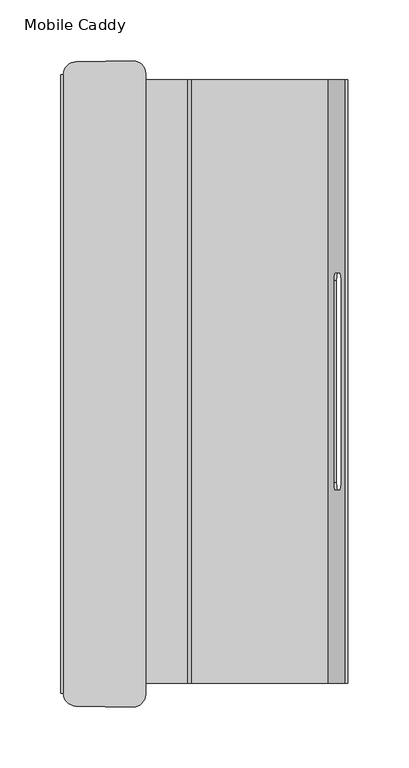
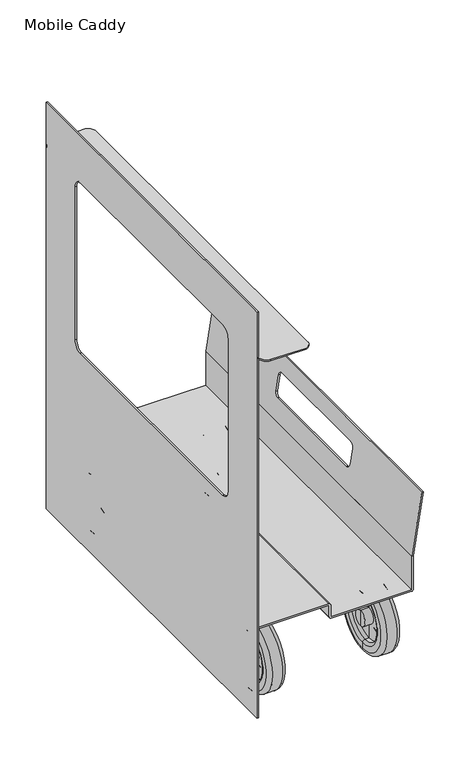
"""IFC4 building model written with IfcOpenShell, lengths in millimetres: furniture geometry, Mobile Caddy."""

from ifc_helpers import new_model, si_unit, point, frame, frame_2d, origin, place, context, project, spatial, polyline, circle_curve, ellipse_curve, trimmed, segment, composite_curve, outline, extrude, source, transform, mapped, element, save
from ifc_brep_helpers import plane_surface, cylinder_surface, revolved_surface, advanced_brep


def mobile_caddy_558cfe28(model_context):
    return source(origin(), model_context, "Body", "SolidModel", [
        extrude(outline(composite_curve([segment(trimmed(circle_curve(frame_2d((-49.4822692, 254.4628456)), 10.9047009), [point((-47.3896038, 265.1648666))], [point((-38.5775683, 254.4628456))], False, "CARTESIAN"), True, "CONTINUOUS"), segment(polyline([(-38.5775683, 254.4628456), (-38.5775683, -255.5043533)]), True, "CONTINUOUS"), segment(trimmed(circle_curve(frame_2d((-49.4796458, -255.5043533)), 10.9020775), [point((-38.5775683, -255.5043533))], [point((-47.3896038, -266.204214))], False, "CARTESIAN"), True, "CONTINUOUS"), segment(polyline([(-47.3896038, -266.204214), (-96.0823568, -265.3542788)]), True, "CONTINUOUS"), segment(trimmed(circle_curve(frame_2d((-95.6818, -254.7018071)), 10.66), [point((-96.0823568, -265.3542788))], [point((-106.33964, -254.9163917))], False, "CARTESIAN"), True, "CONTINUOUS"), segment(polyline([(-106.33964, -254.9163917), (-106.33964, 253.8770443)]), True, "CONTINUOUS"), segment(trimmed(circle_curve(frame_2d((-95.6818, 253.6624597)), 10.66), [point((-106.33964, 253.8770443))], [point((-95.6532531, 264.3224215))], False, "CARTESIAN"), True, "CONTINUOUS"), segment(polyline([(-95.6532531, 264.3224215), (-47.3896038, 265.1648666)]), True, "CONTINUOUS")], self_intersect=False)), frame((0.0, 0.0, 532.9344554), z_axis=(0.0, 0.0, 1.0), x_axis=(1.0, 0.0, 0.0)), (0.0, 0.0, 1.0), 2.04216),
        advanced_brep(
        [(72.2762817, -191.0196737, 50.8), (72.2762817, -191.0196737, 61.9506), (72.2762817, -191.0196737, 39.6494), (102.1973875, -191.0196737, 39.6494), (102.1973875, -191.0196737, 61.9506), (102.1973875, -191.0196737, 50.8), (90.2847875, -191.0196737, 39.6494), (90.2847875, -191.0196737, 61.9506), (90.2847875, -191.0196737, 17.4244), (90.2847875, -191.0196737, 84.1756), (96.2335875, -191.0196737, 17.4244), (96.2335875, -191.0196737, 84.1756), (99.7335875, -191.0196737, 13.9244), (99.7335875, -191.0196737, 87.6756), (99.7335875, -191.0196737, 5.537697), (99.7335875, -191.0196737, 96.062303), (94.2335875, -191.0196737, 0.037697), (94.2335875, -191.0196737, 101.562303), (80.2400817, -191.0196737, 0.037697), (80.2400817, -191.0196737, 101.562303), (74.7400817, -191.0196737, 5.537697), (74.7400817, -191.0196737, 96.062303), (74.7400817, -191.0196737, 13.9244), (74.7400817, -191.0196737, 87.6756), (78.2400817, -191.0196737, 17.4244), (78.2400817, -191.0196737, 84.1756), (84.1888817, -191.0196737, 17.4244), (84.1888817, -191.0196737, 84.1756), (84.1888817, -191.0196737, 39.6494), (84.1888817, -191.0196737, 61.9506)],
        [
            (0, 1),
            (1, 2, circle_curve(frame((72.2762817, -191.0196737, 50.8), z_axis=(-1.0, 0.0, 0.0), x_axis=(0.0, 0.0, 1.0)), 11.1506)),
            (2, 0),
            (2, 1, circle_curve(frame((72.2762817, -191.0196737, 50.8), z_axis=(-1.0, 0.0, 0.0), x_axis=(0.0, 0.0, 1.0)), 11.1506)),
            (3, 4, circle_curve(frame((102.1973875, -191.0196737, 50.8), z_axis=(1.0, 0.0, 0.0), x_axis=(0.0, 0.0, 1.0)), 11.1506)),
            (4, 5),
            (5, 3),
            (4, 3, circle_curve(frame((102.1973875, -191.0196737, 50.8), z_axis=(1.0, 0.0, 0.0), x_axis=(0.0, 0.0, 1.0)), 11.1506)),
            (6, 7, circle_curve(frame((90.2847875, -191.0196737, 50.8), z_axis=(1.0, 0.0, 0.0), x_axis=(0.0, 0.0, 1.0)), 11.1506)),
            (7, 4),
            (3, 6),
            (7, 6, circle_curve(frame((90.2847875, -191.0196737, 50.8), z_axis=(1.0, 0.0, 0.0), x_axis=(0.0, 0.0, 1.0)), 11.1506)),
            (8, 9, circle_curve(frame((90.2847875, -191.0196737, 50.8), z_axis=(1.0, 0.0, 0.0), x_axis=(0.0, 0.0, 1.0)), 33.3756)),
            (9, 7),
            (6, 8),
            (9, 8, circle_curve(frame((90.2847875, -191.0196737, 50.8), z_axis=(1.0, 0.0, 0.0), x_axis=(0.0, 0.0, 1.0)), 33.3756)),
            (10, 11, circle_curve(frame((96.2335875, -191.0196737, 50.8), z_axis=(1.0, 0.0, 0.0), x_axis=(0.0, 0.0, 1.0)), 33.3756)),
            (11, 9),
            (8, 10),
            (11, 10, circle_curve(frame((96.2335875, -191.0196737, 50.8), z_axis=(1.0, 0.0, 0.0), x_axis=(0.0, 0.0, 1.0)), 33.3756)),
            (12, 13, circle_curve(frame((99.7335875, -191.0196737, 50.8), z_axis=(1.0, 0.0, 0.0), x_axis=(0.0, 0.0, 1.0)), 36.8756)),
            (13, 11, circle_curve(frame((96.2335875, -191.0196737, 87.6756), z_axis=(0.0, 1.0, 0.0), x_axis=(-1.0, 0.0, 0.0)), 3.5)),
            (10, 12, circle_curve(frame((96.2335875, -191.0196737, 13.9244), z_axis=(0.0, 1.0, 0.0), x_axis=(-1.0, 0.0, 0.0)), 3.5)),
            (13, 12, circle_curve(frame((99.7335875, -191.0196737, 50.8), z_axis=(1.0, 0.0, 0.0), x_axis=(0.0, 0.0, 1.0)), 36.8756)),
            (14, 15, circle_curve(frame((99.7335875, -191.0196737, 50.8), z_axis=(1.0, 0.0, 0.0), x_axis=(0.0, 0.0, 1.0)), 45.262303)),
            (15, 13),
            (12, 14),
            (15, 14, circle_curve(frame((99.7335875, -191.0196737, 50.8), z_axis=(1.0, 0.0, 0.0), x_axis=(0.0, 0.0, 1.0)), 45.262303)),
            (16, 17, circle_curve(frame((94.2335875, -191.0196737, 50.8), z_axis=(1.0, 0.0, 0.0), x_axis=(0.0, 0.0, 1.0)), 50.762303)),
            (17, 15, circle_curve(frame((94.2335875, -191.0196737, 96.062303), z_axis=(0.0, 1.0, 0.0), x_axis=(1.0, 0.0, 0.0)), 5.5)),
            (14, 16, circle_curve(frame((94.2335875, -191.0196737, 5.537697), z_axis=(0.0, 1.0, 0.0), x_axis=(1.0, 0.0, 0.0)), 5.5)),
            (17, 16, circle_curve(frame((94.2335875, -191.0196737, 50.8), z_axis=(1.0, 0.0, 0.0), x_axis=(0.0, 0.0, 1.0)), 50.762303)),
            (18, 19, circle_curve(frame((80.2400817, -191.0196737, 50.8), z_axis=(1.0, 0.0, 0.0), x_axis=(0.0, 0.0, 1.0)), 50.762303)),
            (19, 17),
            (16, 18),
            (19, 18, circle_curve(frame((80.2400817, -191.0196737, 50.8), z_axis=(1.0, 0.0, 0.0), x_axis=(0.0, 0.0, 1.0)), 50.762303)),
            (20, 21, circle_curve(frame((74.7400817, -191.0196737, 50.8), z_axis=(1.0, 0.0, 0.0), x_axis=(0.0, 0.0, 1.0)), 45.262303)),
            (21, 19, circle_curve(frame((80.2400817, -191.0196737, 96.062303), z_axis=(0.0, 1.0, 0.0), x_axis=(-1.0, 0.0, 0.0)), 5.5)),
            (18, 20, circle_curve(frame((80.2400817, -191.0196737, 5.537697), z_axis=(0.0, 1.0, 0.0), x_axis=(-1.0, 0.0, 0.0)), 5.5)),
            (21, 20, circle_curve(frame((74.7400817, -191.0196737, 50.8), z_axis=(1.0, 0.0, 0.0), x_axis=(0.0, 0.0, 1.0)), 45.262303)),
            (22, 23, circle_curve(frame((74.7400817, -191.0196737, 50.8), z_axis=(1.0, 0.0, 0.0), x_axis=(0.0, 0.0, 1.0)), 36.8756)),
            (23, 21),
            (20, 22),
            (23, 22, circle_curve(frame((74.7400817, -191.0196737, 50.8), z_axis=(1.0, 0.0, 0.0), x_axis=(0.0, 0.0, 1.0)), 36.8756)),
            (24, 25, circle_curve(frame((78.2400817, -191.0196737, 50.8), z_axis=(1.0, 0.0, 0.0), x_axis=(0.0, 0.0, 1.0)), 33.3756)),
            (25, 23, circle_curve(frame((78.2400817, -191.0196737, 87.6756), z_axis=(0.0, 1.0, 0.0), x_axis=(1.0, 0.0, 0.0)), 3.5)),
            (22, 24, circle_curve(frame((78.2400817, -191.0196737, 13.9244), z_axis=(0.0, 1.0, 0.0), x_axis=(1.0, 0.0, 0.0)), 3.5)),
            (25, 24, circle_curve(frame((78.2400817, -191.0196737, 50.8), z_axis=(1.0, 0.0, 0.0), x_axis=(0.0, 0.0, 1.0)), 33.3756)),
            (26, 27, circle_curve(frame((84.1888817, -191.0196737, 50.8), z_axis=(1.0, 0.0, 0.0), x_axis=(0.0, 0.0, 1.0)), 33.3756)),
            (27, 25),
            (24, 26),
            (27, 26, circle_curve(frame((84.1888817, -191.0196737, 50.8), z_axis=(1.0, 0.0, 0.0), x_axis=(0.0, 0.0, 1.0)), 33.3756)),
            (28, 29, circle_curve(frame((84.1888817, -191.0196737, 50.8), z_axis=(1.0, 0.0, 0.0), x_axis=(0.0, 0.0, 1.0)), 11.1506)),
            (29, 27),
            (26, 28),
            (29, 28, circle_curve(frame((84.1888817, -191.0196737, 50.8), z_axis=(1.0, 0.0, 0.0), x_axis=(0.0, 0.0, 1.0)), 11.1506)),
            (1, 29),
            (28, 2),
        ],
        [
            plane_surface(frame((72.2762817, -191.0196737, 50.8), z_axis=(-1.0, 0.0, 0.0), x_axis=(0.0, 0.0, 1.0))),
            plane_surface(frame((102.1973875, -191.0196737, 50.8), z_axis=(1.0, 0.0, 0.0), x_axis=(0.0, 0.0, 1.0))),
            cylinder_surface(frame((72.2762817, -191.0196737, 50.8), z_axis=(-1.0, 0.0, 0.0), x_axis=(0.0, 0.0, 1.0)), 11.1506),
            plane_surface(frame((90.2847875, -191.0196737, 50.8), z_axis=(1.0, 0.0, 0.0), x_axis=(0.0, 0.0, 1.0))),
            revolved_surface(polyline([(90.2847875, -191.0196737, 84.1756), (96.2335875, -191.0196737, 84.1756)]), (72.2762817, -191.0196737, 50.8), (-1.0, 0.0, 0.0)),
            revolved_surface(trimmed(ellipse_curve(frame((96.2335875, -191.0196737, 87.6756), z_axis=(0.0, -1.0, 0.0), x_axis=(-1.0, 0.0, 0.0)), 3.5, 3.5), [point((96.2335875, -191.0196737, 84.1756))], [point((99.7335875, -191.0196737, 87.6756))], True, "CARTESIAN"), (72.2762817, -191.0196737, 50.8), (-1.0, 0.0, 0.0)),
            plane_surface(frame((99.7335875, -191.0196737, 50.8), z_axis=(1.0, 0.0, 0.0), x_axis=(0.0, 0.0, 1.0))),
            revolved_surface(trimmed(ellipse_curve(frame((94.2335875, -191.0196737, 96.062303), z_axis=(0.0, -1.0, 0.0), x_axis=(1.0, 0.0, 0.0)), 5.5, 5.5), [point((99.7335875, -191.0196737, 96.062303))], [point((94.2335875, -191.0196737, 101.562303))], True, "CARTESIAN"), (72.2762817, -191.0196737, 50.8), (-1.0, 0.0, 0.0)),
            cylinder_surface(frame((72.2762817, -191.0196737, 50.8), z_axis=(-1.0, 0.0, 0.0), x_axis=(0.0, 0.0, 1.0)), 50.762303),
            revolved_surface(trimmed(ellipse_curve(frame((80.2400817, -191.0196737, 96.062303), z_axis=(0.0, -1.0, 0.0), x_axis=(-1.0, 0.0, 0.0)), 5.5, 5.5), [point((80.2400817, -191.0196737, 101.562303))], [point((74.7400817, -191.0196737, 96.062303))], True, "CARTESIAN"), (72.2762817, -191.0196737, 50.8), (-1.0, 0.0, 0.0)),
            plane_surface(frame((74.7400817, -191.0196737, 50.8), z_axis=(-1.0, 0.0, 0.0), x_axis=(0.0, 0.0, 1.0))),
            revolved_surface(trimmed(ellipse_curve(frame((78.2400817, -191.0196737, 87.6756), z_axis=(0.0, -1.0, 0.0), x_axis=(1.0, 0.0, 0.0)), 3.5, 3.5), [point((74.7400817, -191.0196737, 87.6756))], [point((78.2400817, -191.0196737, 84.1756))], True, "CARTESIAN"), (72.2762817, -191.0196737, 50.8), (-1.0, 0.0, 0.0)),
            revolved_surface(polyline([(78.2400817, -191.0196737, 84.1756), (84.1888817, -191.0196737, 84.1756)]), (72.2762817, -191.0196737, 50.8), (-1.0, 0.0, 0.0)),
            plane_surface(frame((84.1888817, -191.0196737, 50.8), z_axis=(-1.0, 0.0, 0.0), x_axis=(0.0, 0.0, 1.0))),
        ],
        [
            (0, [[1, 2, 3]]),
            (0, [[-3, 4, -1]]),
            (1, [[5, 6, 7]]),
            (1, [[8, -7, -6]]),
            (2, [[9, 10, -5, 11]]),
            (2, [[12, -11, -8, -10]]),
            (3, [[13, 14, -9, 15]]),
            (3, [[16, -15, -12, -14]]),
            (4, [[17, 18, -13, 19]]),
            (4, [[20, -19, -16, -18]]),
            (5, [[21, 22, -17, 23]]),
            (5, [[24, -23, -20, -22]]),
            (6, [[25, 26, -21, 27]]),
            (6, [[28, -27, -24, -26]]),
            (7, [[29, 30, -25, 31]]),
            (7, [[32, -31, -28, -30]]),
            (8, [[33, 34, -29, 35]]),
            (8, [[36, -35, -32, -34]]),
            (9, [[37, 38, -33, 39]]),
            (9, [[40, -39, -36, -38]]),
            (10, [[41, 42, -37, 43]]),
            (10, [[44, -43, -40, -42]]),
            (11, [[45, 46, -41, 47]]),
            (11, [[48, -47, -44, -46]]),
            (12, [[49, 50, -45, 51]]),
            (12, [[52, -51, -48, -50]]),
            (13, [[53, 54, -49, 55]]),
            (13, [[56, -55, -52, -54]]),
            (2, [[-2, 57, -53, 58]]),
            (2, [[-4, -58, -56, -57]]),
        ],
    ),
        advanced_brep(
        [(-87.0736799, -191.0196737, 50.8), (-87.0736799, -191.0196737, 61.9506), (-87.0736799, -191.0196737, 39.6494), (-57.1525741, -191.0196737, 39.6494), (-57.1525741, -191.0196737, 61.9506), (-57.1525741, -191.0196737, 50.8), (-69.0651741, -191.0196737, 39.6494), (-69.0651741, -191.0196737, 61.9506), (-69.0651741, -191.0196737, 17.4244), (-69.0651741, -191.0196737, 84.1756), (-63.1163741, -191.0196737, 17.4244), (-63.1163741, -191.0196737, 84.1756), (-59.6163741, -191.0196737, 13.9244), (-59.6163741, -191.0196737, 87.6756), (-59.6163741, -191.0196737, 5.537697), (-59.6163741, -191.0196737, 96.062303), (-65.1163741, -191.0196737, 0.037697), (-65.1163741, -191.0196737, 101.562303), (-79.1098799, -191.0196737, 0.037697), (-79.1098799, -191.0196737, 101.562303), (-84.6098799, -191.0196737, 5.537697), (-84.6098799, -191.0196737, 96.062303), (-84.6098799, -191.0196737, 13.9244), (-84.6098799, -191.0196737, 87.6756), (-81.1098799, -191.0196737, 17.4244), (-81.1098799, -191.0196737, 84.1756), (-75.1610799, -191.0196737, 17.4244), (-75.1610799, -191.0196737, 84.1756), (-75.1610799, -191.0196737, 39.6494), (-75.1610799, -191.0196737, 61.9506)],
        [
            (0, 1),
            (1, 2, circle_curve(frame((-87.0736799, -191.0196737, 50.8), z_axis=(-1.0, 0.0, 0.0), x_axis=(0.0, 0.0, 1.0)), 11.1506)),
            (2, 0),
            (2, 1, circle_curve(frame((-87.0736799, -191.0196737, 50.8), z_axis=(-1.0, 0.0, 0.0), x_axis=(0.0, 0.0, 1.0)), 11.1506)),
            (3, 4, circle_curve(frame((-57.1525741, -191.0196737, 50.8), z_axis=(1.0, 0.0, 0.0), x_axis=(0.0, 0.0, 1.0)), 11.1506)),
            (4, 5),
            (5, 3),
            (4, 3, circle_curve(frame((-57.1525741, -191.0196737, 50.8), z_axis=(1.0, 0.0, 0.0), x_axis=(0.0, 0.0, 1.0)), 11.1506)),
            (6, 7, circle_curve(frame((-69.0651741, -191.0196737, 50.8), z_axis=(1.0, 0.0, 0.0), x_axis=(0.0, 0.0, 1.0)), 11.1506)),
            (7, 4),
            (3, 6),
            (7, 6, circle_curve(frame((-69.0651741, -191.0196737, 50.8), z_axis=(1.0, 0.0, 0.0), x_axis=(0.0, 0.0, 1.0)), 11.1506)),
            (8, 9, circle_curve(frame((-69.0651741, -191.0196737, 50.8), z_axis=(1.0, 0.0, 0.0), x_axis=(0.0, 0.0, 1.0)), 33.3756)),
            (9, 7),
            (6, 8),
            (9, 8, circle_curve(frame((-69.0651741, -191.0196737, 50.8), z_axis=(1.0, 0.0, 0.0), x_axis=(0.0, 0.0, 1.0)), 33.3756)),
            (10, 11, circle_curve(frame((-63.1163741, -191.0196737, 50.8), z_axis=(1.0, 0.0, 0.0), x_axis=(0.0, 0.0, 1.0)), 33.3756)),
            (11, 9),
            (8, 10),
            (11, 10, circle_curve(frame((-63.1163741, -191.0196737, 50.8), z_axis=(1.0, 0.0, 0.0), x_axis=(0.0, 0.0, 1.0)), 33.3756)),
            (12, 13, circle_curve(frame((-59.6163741, -191.0196737, 50.8), z_axis=(1.0, 0.0, 0.0), x_axis=(0.0, 0.0, 1.0)), 36.8756)),
            (13, 11, circle_curve(frame((-63.1163741, -191.0196737, 87.6756), z_axis=(0.0, 1.0, 0.0), x_axis=(-1.0, 0.0, 0.0)), 3.5)),
            (10, 12, circle_curve(frame((-63.1163741, -191.0196737, 13.9244), z_axis=(0.0, 1.0, 0.0), x_axis=(-1.0, 0.0, 0.0)), 3.5)),
            (13, 12, circle_curve(frame((-59.6163741, -191.0196737, 50.8), z_axis=(1.0, 0.0, 0.0), x_axis=(0.0, 0.0, 1.0)), 36.8756)),
            (14, 15, circle_curve(frame((-59.6163741, -191.0196737, 50.8), z_axis=(1.0, 0.0, 0.0), x_axis=(0.0, 0.0, 1.0)), 45.262303)),
            (15, 13),
            (12, 14),
            (15, 14, circle_curve(frame((-59.6163741, -191.0196737, 50.8), z_axis=(1.0, 0.0, 0.0), x_axis=(0.0, 0.0, 1.0)), 45.262303)),
            (16, 17, circle_curve(frame((-65.1163741, -191.0196737, 50.8), z_axis=(1.0, 0.0, 0.0), x_axis=(0.0, 0.0, 1.0)), 50.762303)),
            (17, 15, circle_curve(frame((-65.1163741, -191.0196737, 96.062303), z_axis=(0.0, 1.0, 0.0), x_axis=(1.0, 0.0, 0.0)), 5.5)),
            (14, 16, circle_curve(frame((-65.1163741, -191.0196737, 5.537697), z_axis=(0.0, 1.0, 0.0), x_axis=(1.0, 0.0, 0.0)), 5.5)),
            (17, 16, circle_curve(frame((-65.1163741, -191.0196737, 50.8), z_axis=(1.0, 0.0, 0.0), x_axis=(0.0, 0.0, 1.0)), 50.762303)),
            (18, 19, circle_curve(frame((-79.1098799, -191.0196737, 50.8), z_axis=(1.0, 0.0, 0.0), x_axis=(0.0, 0.0, 1.0)), 50.762303)),
            (19, 17),
            (16, 18),
            (19, 18, circle_curve(frame((-79.1098799, -191.0196737, 50.8), z_axis=(1.0, 0.0, 0.0), x_axis=(0.0, 0.0, 1.0)), 50.762303)),
            (20, 21, circle_curve(frame((-84.6098799, -191.0196737, 50.8), z_axis=(1.0, 0.0, 0.0), x_axis=(0.0, 0.0, 1.0)), 45.262303)),
            (21, 19, circle_curve(frame((-79.1098799, -191.0196737, 96.062303), z_axis=(0.0, 1.0, 0.0), x_axis=(-1.0, 0.0, 0.0)), 5.5)),
            (18, 20, circle_curve(frame((-79.1098799, -191.0196737, 5.537697), z_axis=(0.0, 1.0, 0.0), x_axis=(-1.0, 0.0, 0.0)), 5.5)),
            (21, 20, circle_curve(frame((-84.6098799, -191.0196737, 50.8), z_axis=(1.0, 0.0, 0.0), x_axis=(0.0, 0.0, 1.0)), 45.262303)),
            (22, 23, circle_curve(frame((-84.6098799, -191.0196737, 50.8), z_axis=(1.0, 0.0, 0.0), x_axis=(0.0, 0.0, 1.0)), 36.8756)),
            (23, 21),
            (20, 22),
            (23, 22, circle_curve(frame((-84.6098799, -191.0196737, 50.8), z_axis=(1.0, 0.0, 0.0), x_axis=(0.0, 0.0, 1.0)), 36.8756)),
            (24, 25, circle_curve(frame((-81.1098799, -191.0196737, 50.8), z_axis=(1.0, 0.0, 0.0), x_axis=(0.0, 0.0, 1.0)), 33.3756)),
            (25, 23, circle_curve(frame((-81.1098799, -191.0196737, 87.6756), z_axis=(0.0, 1.0, 0.0), x_axis=(1.0, 0.0, 0.0)), 3.5)),
            (22, 24, circle_curve(frame((-81.1098799, -191.0196737, 13.9244), z_axis=(0.0, 1.0, 0.0), x_axis=(1.0, 0.0, 0.0)), 3.5)),
            (25, 24, circle_curve(frame((-81.1098799, -191.0196737, 50.8), z_axis=(1.0, 0.0, 0.0), x_axis=(0.0, 0.0, 1.0)), 33.3756)),
            (26, 27, circle_curve(frame((-75.1610799, -191.0196737, 50.8), z_axis=(1.0, 0.0, 0.0), x_axis=(0.0, 0.0, 1.0)), 33.3756)),
            (27, 25),
            (24, 26),
            (27, 26, circle_curve(frame((-75.1610799, -191.0196737, 50.8), z_axis=(1.0, 0.0, 0.0), x_axis=(0.0, 0.0, 1.0)), 33.3756)),
            (28, 29, circle_curve(frame((-75.1610799, -191.0196737, 50.8), z_axis=(1.0, 0.0, 0.0), x_axis=(0.0, 0.0, 1.0)), 11.1506)),
            (29, 27),
            (26, 28),
            (29, 28, circle_curve(frame((-75.1610799, -191.0196737, 50.8), z_axis=(1.0, 0.0, 0.0), x_axis=(0.0, 0.0, 1.0)), 11.1506)),
            (1, 29),
            (28, 2),
        ],
        [
            plane_surface(frame((-87.0736799, -191.0196737, 50.8), z_axis=(-1.0, 0.0, 0.0), x_axis=(0.0, 0.0, 1.0))),
            plane_surface(frame((-57.1525741, -191.0196737, 50.8), z_axis=(1.0, 0.0, 0.0), x_axis=(0.0, 0.0, 1.0))),
            cylinder_surface(frame((-87.0736799, -191.0196737, 50.8), z_axis=(-1.0, 0.0, 0.0), x_axis=(0.0, 0.0, 1.0)), 11.1506),
            plane_surface(frame((-69.0651741, -191.0196737, 50.8), z_axis=(1.0, 0.0, 0.0), x_axis=(0.0, 0.0, 1.0))),
            revolved_surface(polyline([(-69.0651741, -191.0196737, 84.1756), (-63.1163741, -191.0196737, 84.1756)]), (-87.0736799, -191.0196737, 50.8), (-1.0, 0.0, 0.0)),
            revolved_surface(trimmed(ellipse_curve(frame((-63.1163741, -191.0196737, 87.6756), z_axis=(0.0, -1.0, 0.0), x_axis=(-1.0, 0.0, 0.0)), 3.5, 3.5), [point((-63.1163741, -191.0196737, 84.1756))], [point((-59.6163741, -191.0196737, 87.6756))], True, "CARTESIAN"), (-87.0736799, -191.0196737, 50.8), (-1.0, 0.0, 0.0)),
            plane_surface(frame((-59.6163741, -191.0196737, 50.8), z_axis=(1.0, 0.0, 0.0), x_axis=(0.0, 0.0, 1.0))),
            revolved_surface(trimmed(ellipse_curve(frame((-65.1163741, -191.0196737, 96.062303), z_axis=(0.0, -1.0, 0.0), x_axis=(1.0, 0.0, 0.0)), 5.5, 5.5), [point((-59.6163741, -191.0196737, 96.062303))], [point((-65.1163741, -191.0196737, 101.562303))], True, "CARTESIAN"), (-87.0736799, -191.0196737, 50.8), (-1.0, 0.0, 0.0)),
            cylinder_surface(frame((-87.0736799, -191.0196737, 50.8), z_axis=(-1.0, 0.0, 0.0), x_axis=(0.0, 0.0, 1.0)), 50.762303),
            revolved_surface(trimmed(ellipse_curve(frame((-79.1098799, -191.0196737, 96.062303), z_axis=(0.0, -1.0, 0.0), x_axis=(-1.0, 0.0, 0.0)), 5.5, 5.5), [point((-79.1098799, -191.0196737, 101.562303))], [point((-84.6098799, -191.0196737, 96.062303))], True, "CARTESIAN"), (-87.0736799, -191.0196737, 50.8), (-1.0, 0.0, 0.0)),
            plane_surface(frame((-84.6098799, -191.0196737, 50.8), z_axis=(-1.0, 0.0, 0.0), x_axis=(0.0, 0.0, 1.0))),
            revolved_surface(trimmed(ellipse_curve(frame((-81.1098799, -191.0196737, 87.6756), z_axis=(0.0, -1.0, 0.0), x_axis=(1.0, 0.0, 0.0)), 3.5, 3.5), [point((-84.6098799, -191.0196737, 87.6756))], [point((-81.1098799, -191.0196737, 84.1756))], True, "CARTESIAN"), (-87.0736799, -191.0196737, 50.8), (-1.0, 0.0, 0.0)),
            revolved_surface(polyline([(-81.1098799, -191.0196737, 84.1756), (-75.1610799, -191.0196737, 84.1756)]), (-87.0736799, -191.0196737, 50.8), (-1.0, 0.0, 0.0)),
            plane_surface(frame((-75.1610799, -191.0196737, 50.8), z_axis=(-1.0, 0.0, 0.0), x_axis=(0.0, 0.0, 1.0))),
        ],
        [
            (0, [[1, 2, 3]]),
            (0, [[-3, 4, -1]]),
            (1, [[5, 6, 7]]),
            (1, [[8, -7, -6]]),
            (2, [[9, 10, -5, 11]]),
            (2, [[12, -11, -8, -10]]),
            (3, [[13, 14, -9, 15]]),
            (3, [[16, -15, -12, -14]]),
            (4, [[17, 18, -13, 19]]),
            (4, [[20, -19, -16, -18]]),
            (5, [[21, 22, -17, 23]]),
            (5, [[24, -23, -20, -22]]),
            (6, [[25, 26, -21, 27]]),
            (6, [[28, -27, -24, -26]]),
            (7, [[29, 30, -25, 31]]),
            (7, [[32, -31, -28, -30]]),
            (8, [[33, 34, -29, 35]]),
            (8, [[36, -35, -32, -34]]),
            (9, [[37, 38, -33, 39]]),
            (9, [[40, -39, -36, -38]]),
            (10, [[41, 42, -37, 43]]),
            (10, [[44, -43, -40, -42]]),
            (11, [[45, 46, -41, 47]]),
            (11, [[48, -47, -44, -46]]),
            (12, [[49, 50, -45, 51]]),
            (12, [[52, -51, -48, -50]]),
            (13, [[53, 54, -49, 55]]),
            (13, [[56, -55, -52, -54]]),
            (2, [[-2, 57, -53, 58]]),
            (2, [[-4, -58, -56, -57]]),
        ],
    ),
        advanced_brep(
        [(-87.0736799, 189.9803263, 50.8), (-87.0736799, 189.9803263, 61.9506), (-87.0736799, 189.9803263, 39.6494), (-57.1525741, 189.9803263, 39.6494), (-57.1525741, 189.9803263, 61.9506), (-57.1525741, 189.9803263, 50.8), (-69.0651741, 189.9803263, 39.6494), (-69.0651741, 189.9803263, 61.9506), (-69.0651741, 189.9803263, 17.4244), (-69.0651741, 189.9803263, 84.1756), (-63.1163741, 189.9803263, 17.4244), (-63.1163741, 189.9803263, 84.1756), (-59.6163741, 189.9803263, 13.9244), (-59.6163741, 189.9803263, 87.6756), (-59.6163741, 189.9803263, 5.537697), (-59.6163741, 189.9803263, 96.062303), (-65.1163741, 189.9803263, 0.037697), (-65.1163741, 189.9803263, 101.562303), (-79.1098799, 189.9803263, 0.037697), (-79.1098799, 189.9803263, 101.562303), (-84.6098799, 189.9803263, 5.537697), (-84.6098799, 189.9803263, 96.062303), (-84.6098799, 189.9803263, 13.9244), (-84.6098799, 189.9803263, 87.6756), (-81.1098799, 189.9803263, 17.4244), (-81.1098799, 189.9803263, 84.1756), (-75.1610799, 189.9803263, 17.4244), (-75.1610799, 189.9803263, 84.1756), (-75.1610799, 189.9803263, 39.6494), (-75.1610799, 189.9803263, 61.9506)],
        [
            (0, 1),
            (1, 2, circle_curve(frame((-87.0736799, 189.9803263, 50.8), z_axis=(-1.0, 0.0, 0.0), x_axis=(0.0, 0.0, 1.0)), 11.1506)),
            (2, 0),
            (2, 1, circle_curve(frame((-87.0736799, 189.9803263, 50.8), z_axis=(-1.0, 0.0, 0.0), x_axis=(0.0, 0.0, 1.0)), 11.1506)),
            (3, 4, circle_curve(frame((-57.1525741, 189.9803263, 50.8), z_axis=(1.0, 0.0, 0.0), x_axis=(0.0, 0.0, 1.0)), 11.1506)),
            (4, 5),
            (5, 3),
            (4, 3, circle_curve(frame((-57.1525741, 189.9803263, 50.8), z_axis=(1.0, 0.0, 0.0), x_axis=(0.0, 0.0, 1.0)), 11.1506)),
            (6, 7, circle_curve(frame((-69.0651741, 189.9803263, 50.8), z_axis=(1.0, 0.0, 0.0), x_axis=(0.0, 0.0, 1.0)), 11.1506)),
            (7, 4),
            (3, 6),
            (7, 6, circle_curve(frame((-69.0651741, 189.9803263, 50.8), z_axis=(1.0, 0.0, 0.0), x_axis=(0.0, 0.0, 1.0)), 11.1506)),
            (8, 9, circle_curve(frame((-69.0651741, 189.9803263, 50.8), z_axis=(1.0, 0.0, 0.0), x_axis=(0.0, 0.0, 1.0)), 33.3756)),
            (9, 7),
            (6, 8),
            (9, 8, circle_curve(frame((-69.0651741, 189.9803263, 50.8), z_axis=(1.0, 0.0, 0.0), x_axis=(0.0, 0.0, 1.0)), 33.3756)),
            (10, 11, circle_curve(frame((-63.1163741, 189.9803263, 50.8), z_axis=(1.0, 0.0, 0.0), x_axis=(0.0, 0.0, 1.0)), 33.3756)),
            (11, 9),
            (8, 10),
            (11, 10, circle_curve(frame((-63.1163741, 189.9803263, 50.8), z_axis=(1.0, 0.0, 0.0), x_axis=(0.0, 0.0, 1.0)), 33.3756)),
            (12, 13, circle_curve(frame((-59.6163741, 189.9803263, 50.8), z_axis=(1.0, 0.0, 0.0), x_axis=(0.0, 0.0, 1.0)), 36.8756)),
            (13, 11, circle_curve(frame((-63.1163741, 189.9803263, 87.6756), z_axis=(0.0, 1.0, 0.0), x_axis=(-1.0, 0.0, 0.0)), 3.5)),
            (10, 12, circle_curve(frame((-63.1163741, 189.9803263, 13.9244), z_axis=(0.0, 1.0, 0.0), x_axis=(-1.0, 0.0, 0.0)), 3.5)),
            (13, 12, circle_curve(frame((-59.6163741, 189.9803263, 50.8), z_axis=(1.0, 0.0, 0.0), x_axis=(0.0, 0.0, 1.0)), 36.8756)),
            (14, 15, circle_curve(frame((-59.6163741, 189.9803263, 50.8), z_axis=(1.0, 0.0, 0.0), x_axis=(0.0, 0.0, 1.0)), 45.262303)),
            (15, 13),
            (12, 14),
            (15, 14, circle_curve(frame((-59.6163741, 189.9803263, 50.8), z_axis=(1.0, 0.0, 0.0), x_axis=(0.0, 0.0, 1.0)), 45.262303)),
            (16, 17, circle_curve(frame((-65.1163741, 189.9803263, 50.8), z_axis=(1.0, 0.0, 0.0), x_axis=(0.0, 0.0, 1.0)), 50.762303)),
            (17, 15, circle_curve(frame((-65.1163741, 189.9803263, 96.062303), z_axis=(0.0, 1.0, 0.0), x_axis=(1.0, 0.0, 0.0)), 5.5)),
            (14, 16, circle_curve(frame((-65.1163741, 189.9803263, 5.537697), z_axis=(0.0, 1.0, 0.0), x_axis=(1.0, 0.0, 0.0)), 5.5)),
            (17, 16, circle_curve(frame((-65.1163741, 189.9803263, 50.8), z_axis=(1.0, 0.0, 0.0), x_axis=(0.0, 0.0, 1.0)), 50.762303)),
            (18, 19, circle_curve(frame((-79.1098799, 189.9803263, 50.8), z_axis=(1.0, 0.0, 0.0), x_axis=(0.0, 0.0, 1.0)), 50.762303)),
            (19, 17),
            (16, 18),
            (19, 18, circle_curve(frame((-79.1098799, 189.9803263, 50.8), z_axis=(1.0, 0.0, 0.0), x_axis=(0.0, 0.0, 1.0)), 50.762303)),
            (20, 21, circle_curve(frame((-84.6098799, 189.9803263, 50.8), z_axis=(1.0, 0.0, 0.0), x_axis=(0.0, 0.0, 1.0)), 45.262303)),
            (21, 19, circle_curve(frame((-79.1098799, 189.9803263, 96.062303), z_axis=(0.0, 1.0, 0.0), x_axis=(-1.0, 0.0, 0.0)), 5.5)),
            (18, 20, circle_curve(frame((-79.1098799, 189.9803263, 5.537697), z_axis=(0.0, 1.0, 0.0), x_axis=(-1.0, 0.0, 0.0)), 5.5)),
            (21, 20, circle_curve(frame((-84.6098799, 189.9803263, 50.8), z_axis=(1.0, 0.0, 0.0), x_axis=(0.0, 0.0, 1.0)), 45.262303)),
            (22, 23, circle_curve(frame((-84.6098799, 189.9803263, 50.8), z_axis=(1.0, 0.0, 0.0), x_axis=(0.0, 0.0, 1.0)), 36.8756)),
            (23, 21),
            (20, 22),
            (23, 22, circle_curve(frame((-84.6098799, 189.9803263, 50.8), z_axis=(1.0, 0.0, 0.0), x_axis=(0.0, 0.0, 1.0)), 36.8756)),
            (24, 25, circle_curve(frame((-81.1098799, 189.9803263, 50.8), z_axis=(1.0, 0.0, 0.0), x_axis=(0.0, 0.0, 1.0)), 33.3756)),
            (25, 23, circle_curve(frame((-81.1098799, 189.9803263, 87.6756), z_axis=(0.0, 1.0, 0.0), x_axis=(1.0, 0.0, 0.0)), 3.5)),
            (22, 24, circle_curve(frame((-81.1098799, 189.9803263, 13.9244), z_axis=(0.0, 1.0, 0.0), x_axis=(1.0, 0.0, 0.0)), 3.5)),
            (25, 24, circle_curve(frame((-81.1098799, 189.9803263, 50.8), z_axis=(1.0, 0.0, 0.0), x_axis=(0.0, 0.0, 1.0)), 33.3756)),
            (26, 27, circle_curve(frame((-75.1610799, 189.9803263, 50.8), z_axis=(1.0, 0.0, 0.0), x_axis=(0.0, 0.0, 1.0)), 33.3756)),
            (27, 25),
            (24, 26),
            (27, 26, circle_curve(frame((-75.1610799, 189.9803263, 50.8), z_axis=(1.0, 0.0, 0.0), x_axis=(0.0, 0.0, 1.0)), 33.3756)),
            (28, 29, circle_curve(frame((-75.1610799, 189.9803263, 50.8), z_axis=(1.0, 0.0, 0.0), x_axis=(0.0, 0.0, 1.0)), 11.1506)),
            (29, 27),
            (26, 28),
            (29, 28, circle_curve(frame((-75.1610799, 189.9803263, 50.8), z_axis=(1.0, 0.0, 0.0), x_axis=(0.0, 0.0, 1.0)), 11.1506)),
            (1, 29),
            (28, 2),
        ],
        [
            plane_surface(frame((-87.0736799, 189.9803263, 50.8), z_axis=(-1.0, 0.0, 0.0), x_axis=(0.0, 0.0, 1.0))),
            plane_surface(frame((-57.1525741, 189.9803263, 50.8), z_axis=(1.0, 0.0, 0.0), x_axis=(0.0, 0.0, 1.0))),
            cylinder_surface(frame((-87.0736799, 189.9803263, 50.8), z_axis=(-1.0, 0.0, 0.0), x_axis=(0.0, 0.0, 1.0)), 11.1506),
            plane_surface(frame((-69.0651741, 189.9803263, 50.8), z_axis=(1.0, 0.0, 0.0), x_axis=(0.0, 0.0, 1.0))),
            revolved_surface(polyline([(-69.0651741, 189.9803263, 84.1756), (-63.1163741, 189.9803263, 84.1756)]), (-87.0736799, 189.9803263, 50.8), (-1.0, 0.0, 0.0)),
            revolved_surface(trimmed(ellipse_curve(frame((-63.1163741, 189.9803263, 87.6756), z_axis=(0.0, -1.0, 0.0), x_axis=(-1.0, 0.0, 0.0)), 3.5, 3.5), [point((-63.1163741, 189.9803263, 84.1756))], [point((-59.6163741, 189.9803263, 87.6756))], True, "CARTESIAN"), (-87.0736799, 189.9803263, 50.8), (-1.0, 0.0, 0.0)),
            plane_surface(frame((-59.6163741, 189.9803263, 50.8), z_axis=(1.0, 0.0, 0.0), x_axis=(0.0, 0.0, 1.0))),
            revolved_surface(trimmed(ellipse_curve(frame((-65.1163741, 189.9803263, 96.062303), z_axis=(0.0, -1.0, 0.0), x_axis=(1.0, 0.0, 0.0)), 5.5, 5.5), [point((-59.6163741, 189.9803263, 96.062303))], [point((-65.1163741, 189.9803263, 101.562303))], True, "CARTESIAN"), (-87.0736799, 189.9803263, 50.8), (-1.0, 0.0, 0.0)),
            cylinder_surface(frame((-87.0736799, 189.9803263, 50.8), z_axis=(-1.0, 0.0, 0.0), x_axis=(0.0, 0.0, 1.0)), 50.762303),
            revolved_surface(trimmed(ellipse_curve(frame((-79.1098799, 189.9803263, 96.062303), z_axis=(0.0, -1.0, 0.0), x_axis=(-1.0, 0.0, 0.0)), 5.5, 5.5), [point((-79.1098799, 189.9803263, 101.562303))], [point((-84.6098799, 189.9803263, 96.062303))], True, "CARTESIAN"), (-87.0736799, 189.9803263, 50.8), (-1.0, 0.0, 0.0)),
            plane_surface(frame((-84.6098799, 189.9803263, 50.8), z_axis=(-1.0, 0.0, 0.0), x_axis=(0.0, 0.0, 1.0))),
            revolved_surface(trimmed(ellipse_curve(frame((-81.1098799, 189.9803263, 87.6756), z_axis=(0.0, -1.0, 0.0), x_axis=(1.0, 0.0, 0.0)), 3.5, 3.5), [point((-84.6098799, 189.9803263, 87.6756))], [point((-81.1098799, 189.9803263, 84.1756))], True, "CARTESIAN"), (-87.0736799, 189.9803263, 50.8), (-1.0, 0.0, 0.0)),
            revolved_surface(polyline([(-81.1098799, 189.9803263, 84.1756), (-75.1610799, 189.9803263, 84.1756)]), (-87.0736799, 189.9803263, 50.8), (-1.0, 0.0, 0.0)),
            plane_surface(frame((-75.1610799, 189.9803263, 50.8), z_axis=(-1.0, 0.0, 0.0), x_axis=(0.0, 0.0, 1.0))),
        ],
        [
            (0, [[1, 2, 3]]),
            (0, [[-3, 4, -1]]),
            (1, [[5, 6, 7]]),
            (1, [[8, -7, -6]]),
            (2, [[9, 10, -5, 11]]),
            (2, [[12, -11, -8, -10]]),
            (3, [[13, 14, -9, 15]]),
            (3, [[16, -15, -12, -14]]),
            (4, [[17, 18, -13, 19]]),
            (4, [[20, -19, -16, -18]]),
            (5, [[21, 22, -17, 23]]),
            (5, [[24, -23, -20, -22]]),
            (6, [[25, 26, -21, 27]]),
            (6, [[28, -27, -24, -26]]),
            (7, [[29, 30, -25, 31]]),
            (7, [[32, -31, -28, -30]]),
            (8, [[33, 34, -29, 35]]),
            (8, [[36, -35, -32, -34]]),
            (9, [[37, 38, -33, 39]]),
            (9, [[40, -39, -36, -38]]),
            (10, [[41, 42, -37, 43]]),
            (10, [[44, -43, -40, -42]]),
            (11, [[45, 46, -41, 47]]),
            (11, [[48, -47, -44, -46]]),
            (12, [[49, 50, -45, 51]]),
            (12, [[52, -51, -48, -50]]),
            (13, [[53, 54, -49, 55]]),
            (13, [[56, -55, -52, -54]]),
            (2, [[-2, 57, -53, 58]]),
            (2, [[-4, -58, -56, -57]]),
        ],
    ),
        advanced_brep(
        [(72.2762817, 189.9803263, 50.8), (72.2762817, 189.9803263, 61.9506), (72.2762817, 189.9803263, 39.6494), (102.1973875, 189.9803263, 39.6494), (102.1973875, 189.9803263, 61.9506), (102.1973875, 189.9803263, 50.8), (90.2847875, 189.9803263, 39.6494), (90.2847875, 189.9803263, 61.9506), (90.2847875, 189.9803263, 17.4244), (90.2847875, 189.9803263, 84.1756), (96.2335875, 189.9803263, 17.4244), (96.2335875, 189.9803263, 84.1756), (99.7335875, 189.9803263, 13.9244), (99.7335875, 189.9803263, 87.6756), (99.7335875, 189.9803263, 5.537697), (99.7335875, 189.9803263, 96.062303), (94.2335875, 189.9803263, 0.037697), (94.2335875, 189.9803263, 101.562303), (80.2400817, 189.9803263, 0.037697), (80.2400817, 189.9803263, 101.562303), (74.7400817, 189.9803263, 5.537697), (74.7400817, 189.9803263, 96.062303), (74.7400817, 189.9803263, 13.9244), (74.7400817, 189.9803263, 87.6756), (78.2400817, 189.9803263, 17.4244), (78.2400817, 189.9803263, 84.1756), (84.1888817, 189.9803263, 17.4244), (84.1888817, 189.9803263, 84.1756), (84.1888817, 189.9803263, 39.6494), (84.1888817, 189.9803263, 61.9506)],
        [
            (0, 1),
            (1, 2, circle_curve(frame((72.2762817, 189.9803263, 50.8), z_axis=(-1.0, 0.0, 0.0), x_axis=(0.0, 0.0, 1.0)), 11.1506)),
            (2, 0),
            (2, 1, circle_curve(frame((72.2762817, 189.9803263, 50.8), z_axis=(-1.0, 0.0, 0.0), x_axis=(0.0, 0.0, 1.0)), 11.1506)),
            (3, 4, circle_curve(frame((102.1973875, 189.9803263, 50.8), z_axis=(1.0, 0.0, 0.0), x_axis=(0.0, 0.0, 1.0)), 11.1506)),
            (4, 5),
            (5, 3),
            (4, 3, circle_curve(frame((102.1973875, 189.9803263, 50.8), z_axis=(1.0, 0.0, 0.0), x_axis=(0.0, 0.0, 1.0)), 11.1506)),
            (6, 7, circle_curve(frame((90.2847875, 189.9803263, 50.8), z_axis=(1.0, 0.0, 0.0), x_axis=(0.0, 0.0, 1.0)), 11.1506)),
            (7, 4),
            (3, 6),
            (7, 6, circle_curve(frame((90.2847875, 189.9803263, 50.8), z_axis=(1.0, 0.0, 0.0), x_axis=(0.0, 0.0, 1.0)), 11.1506)),
            (8, 9, circle_curve(frame((90.2847875, 189.9803263, 50.8), z_axis=(1.0, 0.0, 0.0), x_axis=(0.0, 0.0, 1.0)), 33.3756)),
            (9, 7),
            (6, 8),
            (9, 8, circle_curve(frame((90.2847875, 189.9803263, 50.8), z_axis=(1.0, 0.0, 0.0), x_axis=(0.0, 0.0, 1.0)), 33.3756)),
            (10, 11, circle_curve(frame((96.2335875, 189.9803263, 50.8), z_axis=(1.0, 0.0, 0.0), x_axis=(0.0, 0.0, 1.0)), 33.3756)),
            (11, 9),
            (8, 10),
            (11, 10, circle_curve(frame((96.2335875, 189.9803263, 50.8), z_axis=(1.0, 0.0, 0.0), x_axis=(0.0, 0.0, 1.0)), 33.3756)),
            (12, 13, circle_curve(frame((99.7335875, 189.9803263, 50.8), z_axis=(1.0, 0.0, 0.0), x_axis=(0.0, 0.0, 1.0)), 36.8756)),
            (13, 11, circle_curve(frame((96.2335875, 189.9803263, 87.6756), z_axis=(0.0, 1.0, 0.0), x_axis=(-1.0, 0.0, 0.0)), 3.5)),
            (10, 12, circle_curve(frame((96.2335875, 189.9803263, 13.9244), z_axis=(0.0, 1.0, 0.0), x_axis=(-1.0, 0.0, 0.0)), 3.5)),
            (13, 12, circle_curve(frame((99.7335875, 189.9803263, 50.8), z_axis=(1.0, 0.0, 0.0), x_axis=(0.0, 0.0, 1.0)), 36.8756)),
            (14, 15, circle_curve(frame((99.7335875, 189.9803263, 50.8), z_axis=(1.0, 0.0, 0.0), x_axis=(0.0, 0.0, 1.0)), 45.262303)),
            (15, 13),
            (12, 14),
            (15, 14, circle_curve(frame((99.7335875, 189.9803263, 50.8), z_axis=(1.0, 0.0, 0.0), x_axis=(0.0, 0.0, 1.0)), 45.262303)),
            (16, 17, circle_curve(frame((94.2335875, 189.9803263, 50.8), z_axis=(1.0, 0.0, 0.0), x_axis=(0.0, 0.0, 1.0)), 50.762303)),
            (17, 15, circle_curve(frame((94.2335875, 189.9803263, 96.062303), z_axis=(0.0, 1.0, 0.0), x_axis=(1.0, 0.0, 0.0)), 5.5)),
            (14, 16, circle_curve(frame((94.2335875, 189.9803263, 5.537697), z_axis=(0.0, 1.0, 0.0), x_axis=(1.0, 0.0, 0.0)), 5.5)),
            (17, 16, circle_curve(frame((94.2335875, 189.9803263, 50.8), z_axis=(1.0, 0.0, 0.0), x_axis=(0.0, 0.0, 1.0)), 50.762303)),
            (18, 19, circle_curve(frame((80.2400817, 189.9803263, 50.8), z_axis=(1.0, 0.0, 0.0), x_axis=(0.0, 0.0, 1.0)), 50.762303)),
            (19, 17),
            (16, 18),
            (19, 18, circle_curve(frame((80.2400817, 189.9803263, 50.8), z_axis=(1.0, 0.0, 0.0), x_axis=(0.0, 0.0, 1.0)), 50.762303)),
            (20, 21, circle_curve(frame((74.7400817, 189.9803263, 50.8), z_axis=(1.0, 0.0, 0.0), x_axis=(0.0, 0.0, 1.0)), 45.262303)),
            (21, 19, circle_curve(frame((80.2400817, 189.9803263, 96.062303), z_axis=(0.0, 1.0, 0.0), x_axis=(-1.0, 0.0, 0.0)), 5.5)),
            (18, 20, circle_curve(frame((80.2400817, 189.9803263, 5.537697), z_axis=(0.0, 1.0, 0.0), x_axis=(-1.0, 0.0, 0.0)), 5.5)),
            (21, 20, circle_curve(frame((74.7400817, 189.9803263, 50.8), z_axis=(1.0, 0.0, 0.0), x_axis=(0.0, 0.0, 1.0)), 45.262303)),
            (22, 23, circle_curve(frame((74.7400817, 189.9803263, 50.8), z_axis=(1.0, 0.0, 0.0), x_axis=(0.0, 0.0, 1.0)), 36.8756)),
            (23, 21),
            (20, 22),
            (23, 22, circle_curve(frame((74.7400817, 189.9803263, 50.8), z_axis=(1.0, 0.0, 0.0), x_axis=(0.0, 0.0, 1.0)), 36.8756)),
            (24, 25, circle_curve(frame((78.2400817, 189.9803263, 50.8), z_axis=(1.0, 0.0, 0.0), x_axis=(0.0, 0.0, 1.0)), 33.3756)),
            (25, 23, circle_curve(frame((78.2400817, 189.9803263, 87.6756), z_axis=(0.0, 1.0, 0.0), x_axis=(1.0, 0.0, 0.0)), 3.5)),
            (22, 24, circle_curve(frame((78.2400817, 189.9803263, 13.9244), z_axis=(0.0, 1.0, 0.0), x_axis=(1.0, 0.0, 0.0)), 3.5)),
            (25, 24, circle_curve(frame((78.2400817, 189.9803263, 50.8), z_axis=(1.0, 0.0, 0.0), x_axis=(0.0, 0.0, 1.0)), 33.3756)),
            (26, 27, circle_curve(frame((84.1888817, 189.9803263, 50.8), z_axis=(1.0, 0.0, 0.0), x_axis=(0.0, 0.0, 1.0)), 33.3756)),
            (27, 25),
            (24, 26),
            (27, 26, circle_curve(frame((84.1888817, 189.9803263, 50.8), z_axis=(1.0, 0.0, 0.0), x_axis=(0.0, 0.0, 1.0)), 33.3756)),
            (28, 29, circle_curve(frame((84.1888817, 189.9803263, 50.8), z_axis=(1.0, 0.0, 0.0), x_axis=(0.0, 0.0, 1.0)), 11.1506)),
            (29, 27),
            (26, 28),
            (29, 28, circle_curve(frame((84.1888817, 189.9803263, 50.8), z_axis=(1.0, 0.0, 0.0), x_axis=(0.0, 0.0, 1.0)), 11.1506)),
            (1, 29),
            (28, 2),
        ],
        [
            plane_surface(frame((72.2762817, 189.9803263, 50.8), z_axis=(-1.0, 0.0, 0.0), x_axis=(0.0, 0.0, 1.0))),
            plane_surface(frame((102.1973875, 189.9803263, 50.8), z_axis=(1.0, 0.0, 0.0), x_axis=(0.0, 0.0, 1.0))),
            cylinder_surface(frame((72.2762817, 189.9803263, 50.8), z_axis=(-1.0, 0.0, 0.0), x_axis=(0.0, 0.0, 1.0)), 11.1506),
            plane_surface(frame((90.2847875, 189.9803263, 50.8), z_axis=(1.0, 0.0, 0.0), x_axis=(0.0, 0.0, 1.0))),
            revolved_surface(polyline([(90.2847875, 189.9803263, 84.1756), (96.2335875, 189.9803263, 84.1756)]), (72.2762817, 189.9803263, 50.8), (-1.0, 0.0, 0.0)),
            revolved_surface(trimmed(ellipse_curve(frame((96.2335875, 189.9803263, 87.6756), z_axis=(0.0, -1.0, 0.0), x_axis=(-1.0, 0.0, 0.0)), 3.5, 3.5), [point((96.2335875, 189.9803263, 84.1756))], [point((99.7335875, 189.9803263, 87.6756))], True, "CARTESIAN"), (72.2762817, 189.9803263, 50.8), (-1.0, 0.0, 0.0)),
            plane_surface(frame((99.7335875, 189.9803263, 50.8), z_axis=(1.0, 0.0, 0.0), x_axis=(0.0, 0.0, 1.0))),
            revolved_surface(trimmed(ellipse_curve(frame((94.2335875, 189.9803263, 96.062303), z_axis=(0.0, -1.0, 0.0), x_axis=(1.0, 0.0, 0.0)), 5.5, 5.5), [point((99.7335875, 189.9803263, 96.062303))], [point((94.2335875, 189.9803263, 101.562303))], True, "CARTESIAN"), (72.2762817, 189.9803263, 50.8), (-1.0, 0.0, 0.0)),
            cylinder_surface(frame((72.2762817, 189.9803263, 50.8), z_axis=(-1.0, 0.0, 0.0), x_axis=(0.0, 0.0, 1.0)), 50.762303),
            revolved_surface(trimmed(ellipse_curve(frame((80.2400817, 189.9803263, 96.062303), z_axis=(0.0, -1.0, 0.0), x_axis=(-1.0, 0.0, 0.0)), 5.5, 5.5), [point((80.2400817, 189.9803263, 101.562303))], [point((74.7400817, 189.9803263, 96.062303))], True, "CARTESIAN"), (72.2762817, 189.9803263, 50.8), (-1.0, 0.0, 0.0)),
            plane_surface(frame((74.7400817, 189.9803263, 50.8), z_axis=(-1.0, 0.0, 0.0), x_axis=(0.0, 0.0, 1.0))),
            revolved_surface(trimmed(ellipse_curve(frame((78.2400817, 189.9803263, 87.6756), z_axis=(0.0, -1.0, 0.0), x_axis=(1.0, 0.0, 0.0)), 3.5, 3.5), [point((74.7400817, 189.9803263, 87.6756))], [point((78.2400817, 189.9803263, 84.1756))], True, "CARTESIAN"), (72.2762817, 189.9803263, 50.8), (-1.0, 0.0, 0.0)),
            revolved_surface(polyline([(78.2400817, 189.9803263, 84.1756), (84.1888817, 189.9803263, 84.1756)]), (72.2762817, 189.9803263, 50.8), (-1.0, 0.0, 0.0)),
            plane_surface(frame((84.1888817, 189.9803263, 50.8), z_axis=(-1.0, 0.0, 0.0), x_axis=(0.0, 0.0, 1.0))),
        ],
        [
            (0, [[1, 2, 3]]),
            (0, [[-3, 4, -1]]),
            (1, [[5, 6, 7]]),
            (1, [[8, -7, -6]]),
            (2, [[9, 10, -5, 11]]),
            (2, [[12, -11, -8, -10]]),
            (3, [[13, 14, -9, 15]]),
            (3, [[16, -15, -12, -14]]),
            (4, [[17, 18, -13, 19]]),
            (4, [[20, -19, -16, -18]]),
            (5, [[21, 22, -17, 23]]),
            (5, [[24, -23, -20, -22]]),
            (6, [[25, 26, -21, 27]]),
            (6, [[28, -27, -24, -26]]),
            (7, [[29, 30, -25, 31]]),
            (7, [[32, -31, -28, -30]]),
            (8, [[33, 34, -29, 35]]),
            (8, [[36, -35, -32, -34]]),
            (9, [[37, 38, -33, 39]]),
            (9, [[40, -39, -36, -38]]),
            (10, [[41, 42, -37, 43]]),
            (10, [[44, -43, -40, -42]]),
            (11, [[45, 46, -41, 47]]),
            (11, [[48, -47, -44, -46]]),
            (12, [[49, 50, -45, 51]]),
            (12, [[52, -51, -48, -50]]),
            (13, [[53, 54, -49, 55]]),
            (13, [[56, -55, -52, -54]]),
            (2, [[-2, 57, -53, 58]]),
            (2, [[-4, -58, -56, -57]]),
        ],
    ),
        extrude(outline(polyline([(90.0, 0.0), (90.0, -496.2652), (-0.1786884, -496.2652), (-0.1786884, 0.0), (90.0, 0.0)]), holes=[composite_curve([segment(trimmed(circle_curve(frame_2d((36.3137735, -331.0326)), 6.0), [point((30.3137736, -331.0326))], [point((36.3137735, -337.0326))], True, "CARTESIAN"), True, "CONTINUOUS"), segment(polyline([(36.3137735, -337.0326), (59.2387602, -337.0326)]), True, "CONTINUOUS"), segment(trimmed(circle_curve(frame_2d((59.2387602, -331.0326)), 6.0), [point((59.2387602, -337.0326))], [point((65.2387602, -331.0326))], True, "CARTESIAN"), True, "CONTINUOUS"), segment(polyline([(65.2387602, -331.0326), (65.2387602, -165.2326)]), True, "CONTINUOUS"), segment(trimmed(circle_curve(frame_2d((59.2387602, -165.2326)), 6.0), [point((65.2387602, -165.2326))], [point((59.2387602, -159.2326))], True, "CARTESIAN"), True, "CONTINUOUS"), segment(polyline([(59.2387602, -159.2326), (36.3137735, -159.2326)]), True, "CONTINUOUS"), segment(trimmed(circle_curve(frame_2d((36.3137735, -165.2326)), 6.0), [point((36.3137735, -159.2326))], [point((30.3137736, -165.2326))], True, "CARTESIAN"), True, "CONTINUOUS"), segment(polyline([(30.3137736, -165.2326), (30.3137736, -331.0326)]), True, "CONTINUOUS")], self_intersect=False)]), frame((113.5234372, 249.6553974, 161.6022444), z_axis=(-0.9876883405951375, 0.0, 0.1564344650402322), x_axis=(0.1564344650402322, 0.0, 0.9876883405951375)), (0.0, 0.0, 1.0), 2.04),
        extrude(outline(composite_curve([segment(polyline([(131.7220822, -103.7844), (129.4360822, -103.7844), (129.4360822, -3.4544), (112.4764822, -3.4544)]), True, "CONTINUOUS"), segment(trimmed(circle_curve(frame_2d((112.4764822, -0.7544)), 2.7), [point((112.4764822, -3.4544))], [point((109.7764822, -0.7544))], False, "CARTESIAN"), True, "CONTINUOUS"), segment(polyline([(109.7764822, -0.7544), (109.7764822, 111.0666)]), True, "CONTINUOUS"), segment(trimmed(circle_curve(frame_2d((112.4764822, 111.0666)), 2.7), [point((109.7764822, 111.0666))], [point((112.4764822, 113.7666))], False, "CARTESIAN"), True, "CONTINUOUS"), segment(polyline([(112.4764822, 113.7666), (161.7448822, 113.7666), (161.7448822, 111.4806), (112.0624822, 111.4806), (112.0624822, -1.1684), (129.0220822, -1.1684)]), True, "CONTINUOUS"), segment(trimmed(circle_curve(frame_2d((129.0220822, -3.8684)), 2.7), [point((129.0220822, -1.1684))], [point((131.7220822, -3.8684))], False, "CARTESIAN"), True, "CONTINUOUS"), segment(polyline([(131.7220822, -3.8684), (131.7220822, -103.7844)]), True, "CONTINUOUS")], self_intersect=False)), frame((0.0, -246.6098026, 0.0), z_axis=(0.0, 1.0, 0.0), x_axis=(0.0, 0.0, 1.0)), (0.0, 0.0, 1.0), 496.2652),
        extrude(outline(polyline([(-254.7018071, 602.1088158), (253.6624597, 602.1088158), (253.6624597, 5.2046822), (-254.7018071, 5.2046822), (-254.7018071, 602.1088158)]), holes=[composite_curve([segment(trimmed(circle_curve(frame_2d((171.65, 295.4476558)), 12.5), [point((171.65, 282.9476558))], [point((184.15, 295.4476558))], True, "CARTESIAN"), True, "CONTINUOUS"), segment(polyline([(184.15, 295.4476558), (184.15, 520.4344558)]), True, "CONTINUOUS"), segment(trimmed(circle_curve(frame_2d((171.65, 520.4344558)), 12.5), [point((184.15, 520.4344558))], [point((171.65, 532.9344558))], True, "CARTESIAN"), True, "CONTINUOUS"), segment(polyline([(171.65, 532.9344558), (-171.65, 532.9344558)]), True, "CONTINUOUS"), segment(trimmed(circle_curve(frame_2d((-171.65, 520.4344558)), 12.5), [point((-171.65, 532.9344558))], [point((-184.15, 520.4344558))], True, "CARTESIAN"), True, "CONTINUOUS"), segment(polyline([(-184.15, 520.4344558), (-184.15, 295.4476558)]), True, "CONTINUOUS"), segment(trimmed(circle_curve(frame_2d((-171.65, 295.4476558)), 12.5), [point((-184.15, 295.4476558))], [point((-171.65, 282.9476558))], True, "CARTESIAN"), True, "CONTINUOUS"), segment(polyline([(-171.65, 282.9476558), (171.65, 282.9476558)]), True, "CONTINUOUS")], self_intersect=False)]), frame((-108.3818, 0.0, 0.0), z_axis=(1.0, 0.0, 0.0), x_axis=(0.0, 1.0, 0.0)), (0.0, 0.0, 1.0), 2.04216),
    ])


if __name__ == "__main__":
    model = new_model("IFC4")
    model_context = context("Model", 3, world=origin())
    ifc_project = project(units=[si_unit("LENGTHUNIT", "METRE", prefix="MILLI")], contexts=[model_context])
    site = spatial("IfcSite", under=ifc_project)
    building = spatial("IfcBuilding", under=site)
    placement = place(None, origin())
    mobile_caddy_shape = mobile_caddy_558cfe28(model_context)
    element("IfcFurniture", 1, ObjectType="Mobile Caddy", at=placement, inside=building, context=model_context, shape_type="MappedRepresentation", body=[
        mapped(mobile_caddy_shape, transform((0.0, 0.0, 0.0), x_axis=(1.0, 0.0, 0.0), y_axis=(0.0, 1.0, 0.0), z_axis=(0.0, 0.0, 1.0))),
    ])
    save(model, "model.ifc")
